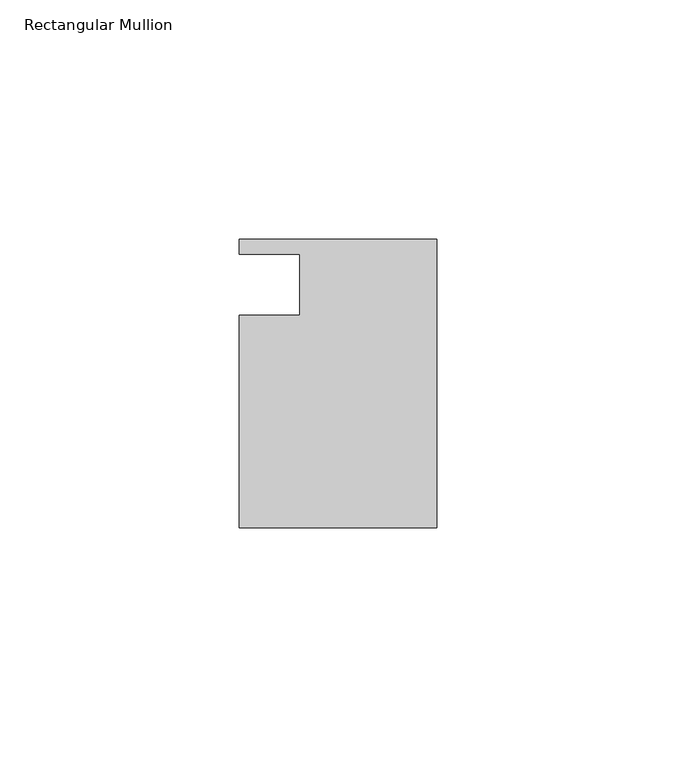
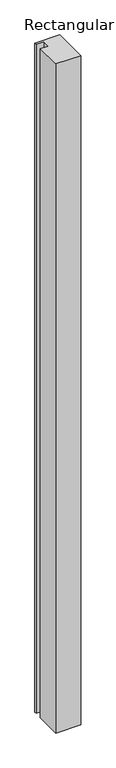
"""IFC4 building model written with IfcOpenShell, lengths in millimetres: member geometry, Rectangular Mullion."""

from ifc_helpers import new_model, si_unit, frame, origin, place, context, project, spatial, polyline, outline, extrude, source, transform, mapped, element, save


def rectangular_mullion_4e225d6a(model_context):
    return source(origin(), model_context, "Body", "SweptSolid", [
        extrude(outline(polyline([(0.0, -30.1625), (-41.275, -30.1625), (-41.275, 14.2875), (-28.575, 14.2875), (-28.575, 26.9875), (-41.275, 26.9875), (-41.275, 30.1625), (0.0, 30.1625), (0.0, -30.1625)])), frame((0.0, 0.0, -1177.925), z_axis=(0.0, 0.0, 1.0), x_axis=(1.0, 0.0, 0.0)), (0.0, 0.0, 1.0), 1177.925),
    ])


if __name__ == "__main__":
    model = new_model("IFC4")
    model_context = context("Model", 3, world=origin())
    ifc_project = project(units=[si_unit("LENGTHUNIT", "METRE", prefix="MILLI")], contexts=[model_context])
    site = spatial("IfcSite", under=ifc_project)
    building = spatial("IfcBuilding", under=site)
    placement = place(None, origin())
    rectangular_mullion_shape = rectangular_mullion_4e225d6a(model_context)
    element("IfcMember", 1, ObjectType="Rectangular Mullion", at=placement, inside=building, context=model_context, shape_type="MappedRepresentation", body=[
        mapped(rectangular_mullion_shape, transform((0.0, 0.0, 0.0), x_axis=(1.0, 0.0, 0.0), y_axis=(0.0, 1.0, 0.0), z_axis=(0.0, 0.0, 1.0))),
    ])
    save(model, "model.ifc")
